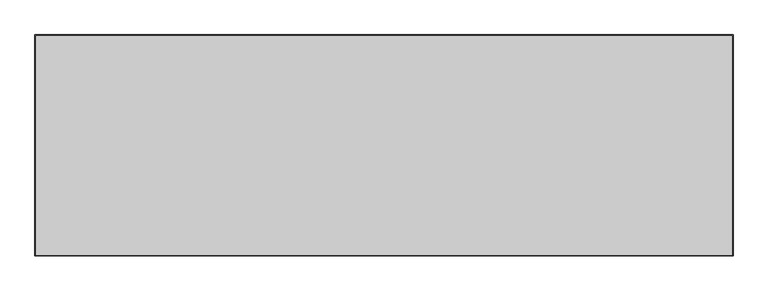
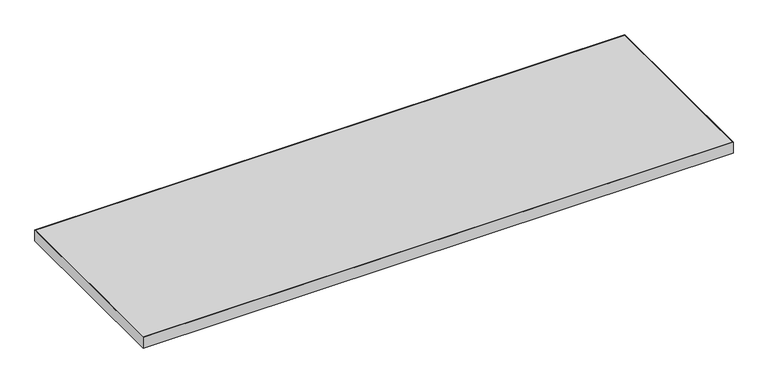
"""IFC4 building model written with IfcOpenShell, lengths in millimetres: furniture geometry."""

from ifc_helpers import new_model, si_unit, frame, origin, place, context, project, spatial, polyline, outline, extrude, source, transform, mapped, element, save


def furniture_9479fa05(model_context):
    return source(origin(), model_context, "Body", "SweptSolid", [
        extrude(outline(polyline([(1056.7273996, 277.8916812), (-461.0242004, 277.8916812), (-461.0242004, 757.2912812), (1056.7273996, 757.2912812), (1056.7273996, 277.8916812)])), frame((0.0, 0.0, 707.0328125), z_axis=(0.0, 0.0, 1.0), x_axis=(1.0, 0.0, 0.0)), (0.0, 0.0, 1.0), 29.5671875),
        extrude(outline(polyline([(1058.3148996, 758.8787812), (1058.3148996, 276.3041812), (-462.6117004, 276.3041812), (-462.6117004, 758.8787812), (1058.3148996, 758.8787812)]), holes=[polyline([(-461.0242004, 757.2912812), (-461.0242004, 277.8916812), (1056.7273996, 277.8916812), (1056.7273996, 757.2912812), (-461.0242004, 757.2912812)])]), frame((0.0, 0.0, 707.009), z_axis=(0.0, 0.0, 1.0), x_axis=(1.0, 0.0, 0.0)), (0.0, 0.0, 1.0), 29.591),
    ])


if __name__ == "__main__":
    model = new_model("IFC4")
    model_context = context("Model", 3, world=origin())
    ifc_project = project(units=[si_unit("LENGTHUNIT", "METRE", prefix="MILLI")], contexts=[model_context])
    site = spatial("IfcSite", under=ifc_project)
    building = spatial("IfcBuilding", under=site)
    placement = place(None, origin())
    furniture_shape = furniture_9479fa05(model_context)
    element("IfcFurniture", 1, at=placement, inside=building, context=model_context, shape_type="MappedRepresentation", body=[
        mapped(furniture_shape, transform((0.0, 0.0, 0.0), x_axis=(1.0, 0.0, 0.0), y_axis=(0.0, 1.0, 0.0), z_axis=(0.0, 0.0, 1.0))),
    ])
    save(model, "model.ifc")
